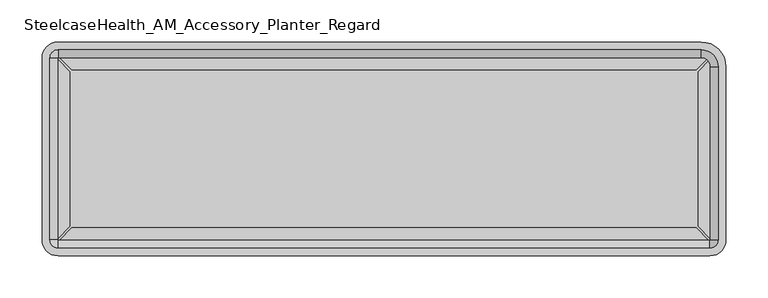
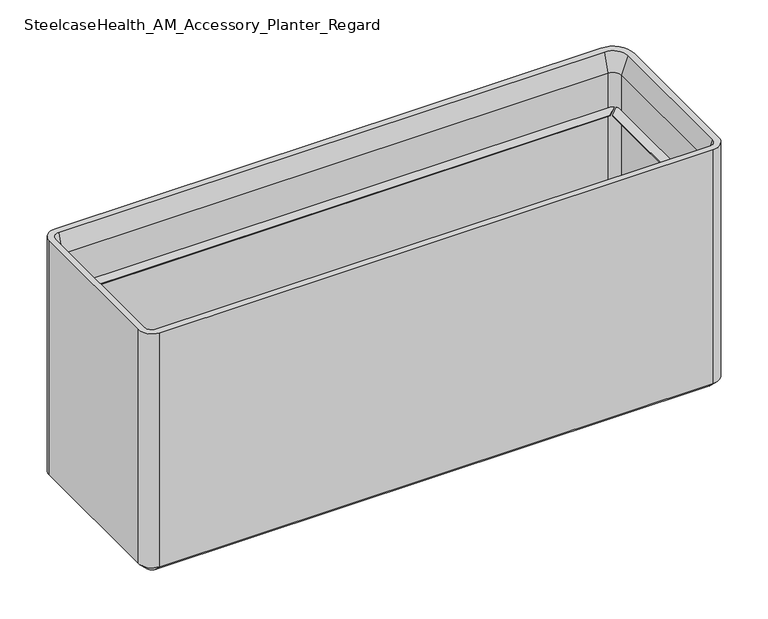
"""IFC4 building model written with IfcOpenShell, lengths in millimetres: furniture geometry, SteelcaseHealth_AM_Accessory_Planter_Regard."""

import ifcopenshell
import ifcopenshell.guid

model = None  # the IFC model being written
_history = None  # IfcOwnerHistory: only IFC2X3 demands one
_inside = {}  # id of a spatial element -> (the spatial element, [elements in it])
_under = {}  # id of a project, library or spatial element -> (it, [spatial elements below it])
_declared = {}  # id of a project -> (the project, [libraries it declares])
_typed = {}  # id of a type object -> (the type object, [elements of that type])
_made_of = {}  # id of a material, layer set ... -> (it, [elements and type objects made of it])


def new_model(schema):
    """Start an empty IFC model of exactly this schema.

    Asked for "IFC4X3", IfcOpenShell would pick the latest addendum, in which some entities
    have other attributes; the version numbers below select the first issue.
    IFC2X3 requires an IfcOwnerHistory on every rooted entity: one is made here for all.
    """
    global model, _history
    if schema == "IFC4X3":
        model = ifcopenshell.file(schema_version=(4, 3, 0, 0))
    else:
        model = ifcopenshell.file(schema=schema)
    _inside.clear()
    _under.clear()
    _declared.clear()
    _typed.clear()
    _made_of.clear()
    _history = None
    if model.schema == "IFC2X3":
        org = make("IfcOrganization", Name="unknown")
        user = make(
            "IfcPersonAndOrganization",
            ThePerson=make("IfcPerson", FamilyName="unknown"),
            TheOrganization=org,
        )
        app = make(
            "IfcApplication",
            ApplicationDeveloper=org,
            Version="unknown",
            ApplicationFullName="unknown",
            ApplicationIdentifier="unknown",
        )
        _history = make(
            "IfcOwnerHistory",
            OwningUser=user,
            OwningApplication=app,
            ChangeAction="ADDED",
            CreationDate=0,
        )
    return model


def make(cls, **values):
    """One entity of the class cls with the attributes given. An attribute that is None is left unset."""
    return model.create_entity(
        cls, **{name: value for name, value in values.items() if value is not None}
    )


def rooted(cls, **values):
    """An entity with a GlobalId (a new one), such as an element, a storey or a relation."""
    return make(cls, GlobalId=ifcopenshell.guid.new(), OwnerHistory=_history, **values)


def si_unit(unit_type, name, prefix=None):
    """IfcSIUnit, for example si_unit("LENGTHUNIT", "METRE", prefix="MILLI")."""
    return make("IfcSIUnit", UnitType=unit_type, Prefix=prefix, Name=name)


def assignment(units):
    """IfcUnitAssignment: the units of a project."""
    return None if units is None else make("IfcUnitAssignment", Units=units)


def point(xyz):
    """IfcCartesianPoint."""
    return None if xyz is None else make("IfcCartesianPoint", Coordinates=xyz)


def direction(xyz):
    """IfcDirection."""
    return None if xyz is None else make("IfcDirection", DirectionRatios=xyz)


def frame(location, z_axis=None, x_axis=None):
    """IfcAxis2Placement3D, a coordinate frame: its origin and axes. An axis left out is left unset."""
    return make(
        "IfcAxis2Placement3D",
        Location=point(location),
        Axis=direction(z_axis),
        RefDirection=direction(x_axis),
    )


def origin():
    """The frame at (0, 0, 0) with its axes left unset."""
    return frame((0.0, 0.0, 0.0))


def place(relative_to, where):
    """IfcLocalPlacement: puts the frame where relative to a parent placement (None: the world)."""
    return make(
        "IfcLocalPlacement", PlacementRelTo=relative_to, RelativePlacement=where
    )


def context(
    kind, dimensions, precision=None, world=None, true_north=None, identifier=None
):
    """IfcGeometricRepresentationContext, for example the 3D "Model" context."""
    return make(
        "IfcGeometricRepresentationContext",
        ContextIdentifier=identifier,
        ContextType=kind,
        CoordinateSpaceDimension=dimensions,
        Precision=precision,
        WorldCoordinateSystem=world,
        TrueNorth=true_north,
    )


def project(units=None, contexts=None):
    """IfcProject with its units and contexts."""
    return rooted(
        "IfcProject",
        Name="project",
        RepresentationContexts=contexts,
        UnitsInContext=assignment(units),
    )


def spatial(cls, under=None, at=None, **own):
    """A site, building, storey or space (cls), placed at a placement, below another one or the project."""
    s = rooted(cls, ObjectPlacement=at, **own)
    if under is not None:
        _under.setdefault(under.id(), (under, []))[1].append(s)
    return s


def polyline(points):
    """IfcPolyline through the points."""
    return make("IfcPolyline", Points=[point(p) for p in points])


def circle_curve(where, radius):
    """IfcCircle in the frame where."""
    return make("IfcCircle", Position=where, Radius=radius)


def outline(outer, holes=None, kind="AREA"):
    """IfcArbitraryClosedProfileDef: a profile drawn as a closed curve; with holes, ...WithVoids."""
    if holes is None:
        return make("IfcArbitraryClosedProfileDef", ProfileType=kind, OuterCurve=outer)
    return make(
        "IfcArbitraryProfileDefWithVoids",
        ProfileType=kind,
        OuterCurve=outer,
        InnerCurves=holes,
    )


def extrude(swept, where, along, depth):
    """IfcExtrudedAreaSolid: the profile swept, set in the frame where, extruded along a direction by depth."""
    return make(
        "IfcExtrudedAreaSolid",
        SweptArea=swept,
        Position=where,
        ExtrudedDirection=direction(along),
        Depth=depth,
    )


def shape(context_of_items, identifier, shape_type, items):
    """IfcShapeRepresentation: the items that make up one representation, for example the "Body"."""
    return make(
        "IfcShapeRepresentation",
        ContextOfItems=context_of_items,
        RepresentationIdentifier=identifier,
        RepresentationType=shape_type,
        Items=items,
    )


def source(mapping_origin, context_of_items, identifier, shape_type, items):
    """IfcRepresentationMap: a shape defined once, which mapped items show again and again."""
    return make(
        "IfcRepresentationMap",
        MappingOrigin=mapping_origin,
        MappedRepresentation=shape(context_of_items, identifier, shape_type, items),
    )


def transform(
    local_origin,
    x_axis=None,
    y_axis=None,
    z_axis=None,
    scale=None,
    scale2=None,
    scale3=None,
    uniform=True,
):
    """IfcCartesianTransformationOperator3D, or its non-uniform kind. x_axis, y_axis, z_axis: its Axis1, 2, 3."""
    if uniform:
        return make(
            "IfcCartesianTransformationOperator3D",
            Axis1=direction(x_axis),
            Axis2=direction(y_axis),
            LocalOrigin=point(local_origin),
            Scale=scale,
            Axis3=direction(z_axis),
        )
    return make(
        "IfcCartesianTransformationOperator3DnonUniform",
        Axis1=direction(x_axis),
        Axis2=direction(y_axis),
        LocalOrigin=point(local_origin),
        Scale=scale,
        Axis3=direction(z_axis),
        Scale2=scale2,
        Scale3=scale3,
    )


def mapped(mapping_source, mapping_target):
    """IfcMappedItem: shows the shape of a source again, moved by a transform."""
    return make(
        "IfcMappedItem", MappingSource=mapping_source, MappingTarget=mapping_target
    )


def made_of(thing, what):
    """Note that an element or type object is made of a material, layer set ...; save() writes the relation."""
    if what is not None:
        _made_of.setdefault(what.id(), (what, []))[1].append(thing)
    return thing


def element(
    cls,
    number,
    at=None,
    inside=None,
    cuts=None,
    type_object=None,
    material=None,
    context=None,
    identifier="Body",
    shape_type=None,
    held_by="IfcProductDefinitionShape",
    body=None,
    shapes=None,
    **own,
):
    """One element of the class cls, such as IfcWall. Its Tag is "e" and its number.

    at: its placement. inside: the storey or other place that contains it. cuts: it is an
    opening in that element (IfcRelVoidsElement). A single representation is given by context,
    identifier, shape_type and body (its items); several are given by shapes. held_by: the class
    of the entity that holds the representations. save() writes the other relations.
    """
    e = rooted(cls, Tag="e%d" % number, ObjectPlacement=at, **own)
    if body is not None:
        shapes = [shape(context, identifier, shape_type, body)]
    if shapes is not None:
        e.Representation = make(held_by, Representations=shapes)
    if inside is not None:
        _inside.setdefault(inside.id(), (inside, []))[1].append(e)
    if cuts is not None:
        rooted(
            "IfcRelVoidsElement", RelatingBuildingElement=cuts, RelatedOpeningElement=e
        )
    if type_object is not None:
        _typed.setdefault(type_object.id(), (type_object, []))[1].append(e)
    return made_of(e, material)


def aggregate(whole, parts):
    """IfcRelAggregates: a whole, such as a stair, and the parts it consists of."""
    return rooted("IfcRelAggregates", RelatingObject=whole, RelatedObjects=parts)


def save(model, path):
    """Write the relations noted so far, then the file.

    IfcRelAggregates (storeys below a building ...), IfcRelContainedInSpatialStructure (elements
    in a storey), IfcRelDefinesByType, IfcRelAssociatesMaterial and IfcRelDeclares: one each for
    every whole, place, type object, material and project.
    """
    for whole, parts in _under.values():
        aggregate(whole, parts)
    for where, things in _inside.values():
        rooted(
            "IfcRelContainedInSpatialStructure",
            RelatedElements=things,
            RelatingStructure=where,
        )
    for kind, things in _typed.values():
        rooted("IfcRelDefinesByType", RelatedObjects=things, RelatingType=kind)
    for what, things in _made_of.values():
        rooted("IfcRelAssociatesMaterial", RelatedObjects=things, RelatingMaterial=what)
    for by, libraries in _declared.values():
        rooted("IfcRelDeclares", RelatingContext=by, RelatedDefinitions=libraries)
    model.write(path)


def plane_surface(at):
    """IfcPlane: the flat surface through the origin of the frame at, square to its z axis."""
    return make("IfcPlane", Position=at)


def cylinder_surface(at, radius):
    """IfcCylindricalSurface: all points at the distance radius from the z axis of the frame at."""
    return make("IfcCylindricalSurface", Position=at, Radius=radius)


def revolved_surface(curve, axis_point, axis_direction):
    """IfcSurfaceOfRevolution: the curve turned about the line through axis_point along axis_direction."""
    return make(
        "IfcSurfaceOfRevolution",
        SweptCurve=make("IfcArbitraryOpenProfileDef", ProfileType="CURVE", Curve=curve),
        AxisPosition=make("IfcAxis1Placement", Location=point(axis_point), Axis=direction(axis_direction)),
    )


def advanced_brep(points, edges, surfaces, faces):
    """IfcAdvancedBrep: a solid bounded by faces that lie on surfaces and meet in shared edges.

    An edge is (start, end): straight between two places in points (the first is 0);
    or (start, end, curve); or (start, end, curve, False) where it runs against its curve.
    A face is (place in surfaces, loops), or (place, loops, False) where it looks against
    its surface's normal. A loop lists edges by number (the first is 1), with a minus sign
    where the edge is run from its end to its start. The first loop is the outer one.
    """
    corners = [point(p) for p in points]
    vertices = [make("IfcVertexPoint", VertexGeometry=c) for c in corners]
    made = []
    for start, end, *more in edges:
        made.append(
            make(
                "IfcEdgeCurve",
                EdgeStart=vertices[start],
                EdgeEnd=vertices[end],
                EdgeGeometry=more[0] if more else make("IfcPolyline", Points=[corners[start], corners[end]]),
                SameSense=more[1] if len(more) > 1 else True,
            )
        )
    hull = []
    for where, loops, *sense in faces:
        bounds = []
        for j, loop in enumerate(loops):
            ring = [make("IfcOrientedEdge", EdgeElement=made[abs(k) - 1], Orientation=k > 0) for k in loop]
            bounds.append(
                make(
                    "IfcFaceOuterBound" if j == 0 else "IfcFaceBound",
                    Bound=make("IfcEdgeLoop", EdgeList=ring),
                    Orientation=True,
                )
            )
        hull.append(make("IfcAdvancedFace", Bounds=bounds, FaceSurface=surfaces[where], SameSense=sense[0] if sense else True))
    return make("IfcAdvancedBrep", Outer=make("IfcClosedShell", CfsFaces=hull))


def steelcasehealth_am_accessory_planter_regard_e7cdda08(model_context):
    return source(origin(), model_context, "Body", "SolidModel", [
        extrude(outline(polyline([(33.0989981, -27.980308), (33.0988992, -211.6079254), (19.3556984, -225.9684772), (19.3556984, -13.6196127), (33.0989981, -27.980308)])), frame((0.0, 0.0, 658.7304314), z_axis=(0.0, 0.0, 1.0), x_axis=(1.0, 0.0, 0.0)), (0.0, 0.0, 1.0), 1.2230843),
        extrude(outline(polyline([(21.0030858, -228.3174254), (35.1556993, -213.7623353), (777.5939138, -213.7625918), (791.7461979, -228.3174254), (21.0030858, -228.3174254)])), frame((0.0, 0.0, 658.7304314), z_axis=(0.0, 0.0, 1.0), x_axis=(1.0, 0.0, 0.0)), (0.0, 0.0, 1.0), 1.2230843),
        extrude(outline(polyline([(793.394014, -225.9688692), (779.6507142, -211.6081872), (779.6508132, -27.9805431), (793.394014, -13.6200046), (793.394014, -225.9688692)])), frame((0.0, 0.0, 658.7304314), z_axis=(0.0, 0.0, 1.0), x_axis=(1.0, 0.0, 0.0)), (0.0, 0.0, 1.0), 1.2230843),
        extrude(outline(polyline([(791.7466272, -11.2710686), (777.5940177, -25.8261404), (35.1558082, -25.8258962), (21.0034903, -11.2710686), (791.7466272, -11.2710686)])), frame((0.0, 0.0, 658.7304314), z_axis=(0.0, 0.0, 1.0), x_axis=(1.0, 0.0, 0.0)), (0.0, 0.0, 1.0), 1.2230843),
        advanced_brep(
        [(35.5809193, -28.3855859, 393.6157513), (42.0420074, -28.3855859, 393.6157513), (29.1198311, -28.3855859, 393.6157513), (42.0420074, -28.3855859, 389.6194739), (29.1198311, -28.3855859, 389.6194739), (49.5595939, -28.3855859, 389.6194739), (21.6022446, -28.3855859, 389.6194739), (49.5595939, -28.3855859, 381.6757013), (21.6022446, -28.3855859, 381.6757013), (48.7357428, -28.3855859, 380.8518501), (22.4260958, -28.3855859, 380.8518501), (35.5809193, -28.3855859, 380.8518501)],
        [
            (0, 1),
            (1, 2, circle_curve(frame((35.5809193, -28.3855859, 393.6157513), z_axis=(0.0, 0.0, 1.0), x_axis=(1.0, 0.0, 0.0)), 6.4610882)),
            (2, 0),
            (2, 1, circle_curve(frame((35.5809193, -28.3855859, 393.6157513), z_axis=(0.0, 0.0, 1.0), x_axis=(1.0, 0.0, 0.0)), 6.4610882)),
            (1, 3),
            (3, 4, circle_curve(frame((35.5809193, -28.3855859, 389.6194739), z_axis=(0.0, 0.0, 1.0), x_axis=(1.0, 0.0, 0.0)), 6.4610882)),
            (4, 2),
            (4, 3, circle_curve(frame((35.5809193, -28.3855859, 389.6194739), z_axis=(0.0, 0.0, 1.0), x_axis=(1.0, 0.0, 0.0)), 6.4610882)),
            (3, 5),
            (5, 6, circle_curve(frame((35.5809193, -28.3855859, 389.6194739), z_axis=(0.0, 0.0, 1.0), x_axis=(1.0, 0.0, 0.0)), 13.9786747)),
            (6, 4),
            (6, 5, circle_curve(frame((35.5809193, -28.3855859, 389.6194739), z_axis=(0.0, 0.0, 1.0), x_axis=(1.0, 0.0, 0.0)), 13.9786747)),
            (5, 7),
            (7, 8, circle_curve(frame((35.5809193, -28.3855859, 381.6757013), z_axis=(0.0, 0.0, 1.0), x_axis=(1.0, 0.0, 0.0)), 13.9786747)),
            (8, 6),
            (8, 7, circle_curve(frame((35.5809193, -28.3855859, 381.6757013), z_axis=(0.0, 0.0, 1.0), x_axis=(1.0, 0.0, 0.0)), 13.9786747)),
            (7, 9),
            (9, 10, circle_curve(frame((35.5809193, -28.3855859, 380.8518501), z_axis=(0.0, 0.0, 1.0), x_axis=(1.0, 0.0, 0.0)), 13.1548235)),
            (10, 8),
            (10, 9, circle_curve(frame((35.5809193, -28.3855859, 380.8518501), z_axis=(0.0, 0.0, 1.0), x_axis=(1.0, 0.0, 0.0)), 13.1548235)),
            (9, 11),
            (11, 10),
        ],
        [
            plane_surface(frame((35.5809193, -28.3855859, 393.6157513), z_axis=(0.0, 0.0, 1.0), x_axis=(1.0, 0.0, 0.0))),
            cylinder_surface(frame((35.5809193, -28.3855859, 409.5265793), z_axis=(0.0, 0.0, 1.0), x_axis=(1.0, 0.0, 0.0)), 6.4610882),
            plane_surface(frame((35.5809193, -28.3855859, 389.6194739), z_axis=(0.0, 0.0, 1.0), x_axis=(1.0, 0.0, 0.0))),
            cylinder_surface(frame((35.5809193, -28.3855859, 409.5265793), z_axis=(0.0, 0.0, 1.0), x_axis=(1.0, 0.0, 0.0)), 13.9786747),
            revolved_surface(polyline([(48.7357428, -28.3855859, 380.8518501), (49.5595939, -28.3855859, 381.6757013)]), (35.5809193, -28.3855859, 409.5265793), (0.0, 0.0, 1.0)),
            plane_surface(frame((35.5809193, -28.3855859, 380.8518501), z_axis=(0.0, 0.0, -1.0), x_axis=(1.0, 0.0, 0.0))),
        ],
        [
            (0, [[1, 2, 3]]),
            (0, [[-3, 4, -1]]),
            (1, [[-2, 5, 6, 7]]),
            (1, [[-4, -7, 8, -5]]),
            (2, [[-6, 9, 10, 11]]),
            (2, [[-8, -11, 12, -9]]),
            (3, [[-10, 13, 14, 15]]),
            (3, [[-12, -15, 16, -13]]),
            (4, [[-14, 17, 18, 19]]),
            (4, [[-16, -19, 20, -17]]),
            (5, [[-18, 21, 22]]),
            (5, [[-20, -22, -21]]),
        ],
    ),
        advanced_brep(
        [(777.2190807, -28.3855859, 393.6157513), (783.6801689, -28.3855859, 393.6157513), (770.7579926, -28.3855859, 393.6157513), (783.6801689, -28.3855859, 389.6194739), (770.7579926, -28.3855859, 389.6194739), (791.1977554, -28.3855859, 389.6194739), (763.2404061, -28.3855859, 389.6194739), (791.1977554, -28.3855859, 381.6757013), (763.2404061, -28.3855859, 381.6757013), (790.3739042, -28.3855859, 380.8518501), (764.0642572, -28.3855859, 380.8518501), (777.2190807, -28.3855859, 380.8518501)],
        [
            (0, 1),
            (1, 2, circle_curve(frame((777.2190807, -28.3855859, 393.6157513), z_axis=(0.0, 0.0, 1.0), x_axis=(1.0, 0.0, 0.0)), 6.4610882)),
            (2, 0),
            (2, 1, circle_curve(frame((777.2190807, -28.3855859, 393.6157513), z_axis=(0.0, 0.0, 1.0), x_axis=(1.0, 0.0, 0.0)), 6.4610882)),
            (1, 3),
            (3, 4, circle_curve(frame((777.2190807, -28.3855859, 389.6194739), z_axis=(0.0, 0.0, 1.0), x_axis=(1.0, 0.0, 0.0)), 6.4610882)),
            (4, 2),
            (4, 3, circle_curve(frame((777.2190807, -28.3855859, 389.6194739), z_axis=(0.0, 0.0, 1.0), x_axis=(1.0, 0.0, 0.0)), 6.4610882)),
            (3, 5),
            (5, 6, circle_curve(frame((777.2190807, -28.3855859, 389.6194739), z_axis=(0.0, 0.0, 1.0), x_axis=(1.0, 0.0, 0.0)), 13.9786747)),
            (6, 4),
            (6, 5, circle_curve(frame((777.2190807, -28.3855859, 389.6194739), z_axis=(0.0, 0.0, 1.0), x_axis=(1.0, 0.0, 0.0)), 13.9786747)),
            (5, 7),
            (7, 8, circle_curve(frame((777.2190807, -28.3855859, 381.6757013), z_axis=(0.0, 0.0, 1.0), x_axis=(1.0, 0.0, 0.0)), 13.9786747)),
            (8, 6),
            (8, 7, circle_curve(frame((777.2190807, -28.3855859, 381.6757013), z_axis=(0.0, 0.0, 1.0), x_axis=(1.0, 0.0, 0.0)), 13.9786747)),
            (7, 9),
            (9, 10, circle_curve(frame((777.2190807, -28.3855859, 380.8518501), z_axis=(0.0, 0.0, 1.0), x_axis=(1.0, 0.0, 0.0)), 13.1548235)),
            (10, 8),
            (10, 9, circle_curve(frame((777.2190807, -28.3855859, 380.8518501), z_axis=(0.0, 0.0, 1.0), x_axis=(1.0, 0.0, 0.0)), 13.1548235)),
            (9, 11),
            (11, 10),
        ],
        [
            plane_surface(frame((777.2190807, -28.3855859, 393.6157513), z_axis=(0.0, 0.0, 1.0), x_axis=(1.0, 0.0, 0.0))),
            cylinder_surface(frame((777.2190807, -28.3855859, 409.5265793), z_axis=(0.0, 0.0, 1.0), x_axis=(1.0, 0.0, 0.0)), 6.4610882),
            plane_surface(frame((777.2190807, -28.3855859, 389.6194739), z_axis=(0.0, 0.0, 1.0), x_axis=(1.0, 0.0, 0.0))),
            cylinder_surface(frame((777.2190807, -28.3855859, 409.5265793), z_axis=(0.0, 0.0, 1.0), x_axis=(1.0, 0.0, 0.0)), 13.9786747),
            revolved_surface(polyline([(790.3739042, -28.3855859, 380.8518501), (791.1977554, -28.3855859, 381.6757013)]), (777.2190807, -28.3855859, 409.5265793), (0.0, 0.0, 1.0)),
            plane_surface(frame((777.2190807, -28.3855859, 380.8518501), z_axis=(0.0, 0.0, -1.0), x_axis=(1.0, 0.0, 0.0))),
        ],
        [
            (0, [[1, 2, 3]]),
            (0, [[-3, 4, -1]]),
            (1, [[-2, 5, 6, 7]]),
            (1, [[-4, -7, 8, -5]]),
            (2, [[-6, 9, 10, 11]]),
            (2, [[-8, -11, 12, -9]]),
            (3, [[-10, 13, 14, 15]]),
            (3, [[-12, -15, 16, -13]]),
            (4, [[-14, 17, 18, 19]]),
            (4, [[-16, -19, 20, -17]]),
            (5, [[-18, 21, 22]]),
            (5, [[-20, -22, -21]]),
        ],
    ),
        advanced_brep(
        [(770.7579926, -211.2655859, 393.6157513), (783.6801689, -211.2655859, 393.6157513), (777.2190807, -211.2655859, 393.6157513), (770.7579926, -211.2655859, 389.6194739), (783.6801689, -211.2655859, 389.6194739), (763.2404061, -211.2655859, 389.6194739), (791.1977554, -211.2655859, 389.6194739), (763.2404061, -211.2655859, 381.6757013), (791.1977554, -211.2655859, 381.6757013), (764.0642572, -211.2655859, 380.8518501), (790.3739042, -211.2655859, 380.8518501), (777.2190807, -211.2655859, 380.8518501)],
        [
            (0, 1, circle_curve(frame((777.2190807, -211.2655859, 393.6157513), z_axis=(0.0, 0.0, 1.0), x_axis=(1.0, 0.0, 0.0)), 6.4610882)),
            (1, 2),
            (2, 0),
            (1, 0, circle_curve(frame((777.2190807, -211.2655859, 393.6157513), z_axis=(0.0, 0.0, 1.0), x_axis=(1.0, 0.0, 0.0)), 6.4610882)),
            (3, 4, circle_curve(frame((777.2190807, -211.2655859, 389.6194739), z_axis=(0.0, 0.0, 1.0), x_axis=(1.0, 0.0, 0.0)), 6.4610882)),
            (4, 1),
            (0, 3),
            (4, 3, circle_curve(frame((777.2190807, -211.2655859, 389.6194739), z_axis=(0.0, 0.0, 1.0), x_axis=(1.0, 0.0, 0.0)), 6.4610882)),
            (5, 6, circle_curve(frame((777.2190807, -211.2655859, 389.6194739), z_axis=(0.0, 0.0, 1.0), x_axis=(1.0, 0.0, 0.0)), 13.9786747)),
            (6, 4),
            (3, 5),
            (6, 5, circle_curve(frame((777.2190807, -211.2655859, 389.6194739), z_axis=(0.0, 0.0, 1.0), x_axis=(1.0, 0.0, 0.0)), 13.9786747)),
            (7, 8, circle_curve(frame((777.2190807, -211.2655859, 381.6757013), z_axis=(0.0, 0.0, 1.0), x_axis=(1.0, 0.0, 0.0)), 13.9786747)),
            (8, 6),
            (5, 7),
            (8, 7, circle_curve(frame((777.2190807, -211.2655859, 381.6757013), z_axis=(0.0, 0.0, 1.0), x_axis=(1.0, 0.0, 0.0)), 13.9786747)),
            (9, 10, circle_curve(frame((777.2190807, -211.2655859, 380.8518501), z_axis=(0.0, 0.0, 1.0), x_axis=(1.0, 0.0, 0.0)), 13.1548235)),
            (10, 8),
            (7, 9),
            (10, 9, circle_curve(frame((777.2190807, -211.2655859, 380.8518501), z_axis=(0.0, 0.0, 1.0), x_axis=(1.0, 0.0, 0.0)), 13.1548235)),
            (11, 10),
            (9, 11),
        ],
        [
            plane_surface(frame((777.2190807, -211.2655859, 393.6157513), z_axis=(0.0, 0.0, 1.0), x_axis=(1.0, 0.0, 0.0))),
            cylinder_surface(frame((777.2190807, -211.2655859, 409.5265793), z_axis=(0.0, 0.0, -1.0), x_axis=(1.0, 0.0, 0.0)), 6.4610882),
            plane_surface(frame((777.2190807, -211.2655859, 389.6194739), z_axis=(0.0, 0.0, 1.0), x_axis=(1.0, 0.0, 0.0))),
            cylinder_surface(frame((777.2190807, -211.2655859, 409.5265793), z_axis=(0.0, 0.0, -1.0), x_axis=(1.0, 0.0, 0.0)), 13.9786747),
            revolved_surface(polyline([(791.1977554, -211.2655859, 381.6757013), (790.3739042, -211.2655859, 380.8518501)]), (777.2190807, -211.2655859, 409.5265793), (0.0, 0.0, -1.0)),
            plane_surface(frame((777.2190807, -211.2655859, 380.8518501), z_axis=(0.0, 0.0, -1.0), x_axis=(1.0, 0.0, 0.0))),
        ],
        [
            (0, [[1, 2, 3]]),
            (0, [[4, -3, -2]]),
            (1, [[5, 6, -1, 7]]),
            (1, [[8, -7, -4, -6]]),
            (2, [[9, 10, -5, 11]]),
            (2, [[12, -11, -8, -10]]),
            (3, [[13, 14, -9, 15]]),
            (3, [[16, -15, -12, -14]]),
            (4, [[17, 18, -13, 19]]),
            (4, [[20, -19, -16, -18]]),
            (5, [[21, -17, 22]]),
            (5, [[-22, -20, -21]]),
        ],
    ),
        extrude(outline(polyline([(794.3545174, -11.2710686), (794.3545174, -228.3801033), (18.4454826, -228.3801033), (18.4454826, -11.2710686), (794.3545174, -11.2710686)])), frame((0.0, 0.0, 397.9774521), z_axis=(0.0, 0.0, 1.0), x_axis=(1.0, 0.0, 0.0)), (0.0, 0.0, 1.0), 5.9407032),
        advanced_brep(
        [(812.8, -22.4164435, 390.6007465), (783.2091424, 7.1744141, 390.6007465), (783.2091424, 7.1744141, 736.7985344), (812.8, -22.4164435, 736.7985344), (803.0511037, -22.4164435, 380.8518501), (783.2091424, -2.5744823, 380.8518501), (794.3545174, -22.4164435, 711.0518501), (783.2091424, -11.2710686, 711.0518501), (783.2091424, -11.2710686, 380.8518501), (794.3545174, -22.4164435, 380.8518501), (803.5360227, -22.4164435, 736.7985344), (783.2091424, -2.0895633, 736.7985344), (812.8, -227.7755859, 736.7985344), (812.8, -227.7755859, 390.6007465), (803.0511037, -227.7755859, 380.8518501), (794.3545174, -227.7755859, 380.8518501), (794.3545174, -227.7755859, 711.0518501), (803.5360227, -227.7755859, 736.7985344), (793.75, -246.8255859, 390.6007465), (793.75, -246.8255859, 736.7985344), (793.75, -237.0766896, 380.8518501), (793.75, -228.3801033, 711.0518501), (793.75, -228.3801033, 380.8518501), (793.75, -237.5616086, 736.7985344), (19.05, -246.8255859, 736.7985344), (19.05, -246.8255859, 390.6007465), (19.05, -237.0766896, 380.8518501), (19.05, -228.3801033, 380.8518501), (19.05, -228.3801033, 711.0518501), (19.05, -237.5616086, 736.7985344), (0.0, -227.7755859, 390.6007465), (0.0, -227.7755859, 736.7985344), (9.7488963, -227.7755859, 380.8518501), (18.4454826, -227.7755859, 711.0518501), (18.4454826, -227.7755859, 380.8518501), (9.2639773, -227.7755859, 736.7985344), (0.0, -11.8755859, 736.7985344), (0.0, -11.8755859, 390.6007465), (9.7488963, -11.8755859, 380.8518501), (18.4454826, -11.8755859, 380.8518501), (18.4454826, -11.8755859, 711.0518501), (9.2639773, -11.8755859, 736.7985344), (19.05, 7.1744141, 390.6007465), (19.05, 7.1744141, 736.7985344), (19.05, -2.5744823, 380.8518501), (19.05, -11.2710686, 711.0518501), (19.05, -11.2710686, 380.8518501), (19.05, -2.0895633, 736.7985344)],
        [
            (0, 1, circle_curve(frame((783.2091424, -22.4164435, 390.6007465), z_axis=(0.0, 0.0, 1.0), x_axis=(0.0, 1.0, 0.0)), 29.5908576)),
            (1, 2),
            (2, 3, circle_curve(frame((783.2091424, -22.4164435, 736.7985344), z_axis=(0.0, 0.0, -1.0), x_axis=(0.0, 1.0, 0.0)), 29.5908576)),
            (3, 0),
            (4, 5, circle_curve(frame((783.2091424, -22.4164435, 380.8518501), z_axis=(0.0, 0.0, 1.0), x_axis=(0.0, 1.0, 0.0)), 19.8419612)),
            (5, 1),
            (0, 4),
            (6, 7, circle_curve(frame((783.2091424, -22.4164435, 711.0518501), z_axis=(0.0, 0.0, 1.0), x_axis=(0.0, 1.0, 0.0)), 11.1453749)),
            (7, 8),
            (8, 9, circle_curve(frame((783.2091424, -22.4164435, 380.8518501), z_axis=(0.0, 0.0, -1.0), x_axis=(0.0, 1.0, 0.0)), 11.1453749)),
            (9, 6),
            (10, 11, circle_curve(frame((783.2091424, -22.4164435, 736.7985344), z_axis=(0.0, 0.0, 1.0), x_axis=(0.0, 1.0, 0.0)), 20.3268802)),
            (11, 7),
            (6, 10),
            (3, 12),
            (12, 13),
            (13, 0),
            (13, 14),
            (14, 4),
            (9, 15),
            (15, 16),
            (16, 6),
            (16, 17),
            (17, 10),
            (18, 13, circle_curve(frame((793.75, -227.7755859, 390.6007465), z_axis=(0.0, 0.0, 1.0), x_axis=(1.0, 0.0, 0.0)), 19.05)),
            (12, 19, circle_curve(frame((793.75, -227.7755859, 736.7985344), z_axis=(0.0, 0.0, -1.0), x_axis=(1.0, 0.0, 0.0)), 19.05)),
            (19, 18),
            (20, 14, circle_curve(frame((793.75, -227.7755859, 380.8518501), z_axis=(0.0, 0.0, 1.0), x_axis=(1.0, 0.0, 0.0)), 9.3011037)),
            (18, 20),
            (21, 16, circle_curve(frame((793.75, -227.7755859, 711.0518501), z_axis=(0.0, 0.0, 1.0), x_axis=(1.0, 0.0, 0.0)), 0.6045174)),
            (15, 22, circle_curve(frame((793.75, -227.7755859, 380.8518501), z_axis=(0.0, 0.0, -1.0), x_axis=(1.0, 0.0, 0.0)), 0.6045174)),
            (22, 21),
            (23, 17, circle_curve(frame((793.75, -227.7755859, 736.7985344), z_axis=(0.0, 0.0, 1.0), x_axis=(1.0, 0.0, 0.0)), 9.7860227)),
            (21, 23),
            (19, 24),
            (24, 25),
            (25, 18),
            (25, 26),
            (26, 20),
            (22, 27),
            (27, 28),
            (28, 21),
            (28, 29),
            (29, 23),
            (30, 25, circle_curve(frame((19.05, -227.7755859, 390.6007465), z_axis=(0.0, 0.0, 1.0), x_axis=(0.0, -1.0, 0.0)), 19.05)),
            (24, 31, circle_curve(frame((19.05, -227.7755859, 736.7985344), z_axis=(0.0, 0.0, -1.0), x_axis=(0.0, -1.0, 0.0)), 19.05)),
            (31, 30),
            (32, 26, circle_curve(frame((19.05, -227.7755859, 380.8518501), z_axis=(0.0, 0.0, 1.0), x_axis=(0.0, -1.0, 0.0)), 9.3011037)),
            (30, 32),
            (33, 28, circle_curve(frame((19.05, -227.7755859, 711.0518501), z_axis=(0.0, 0.0, 1.0), x_axis=(0.0, -1.0, 0.0)), 0.6045174)),
            (27, 34, circle_curve(frame((19.05, -227.7755859, 380.8518501), z_axis=(0.0, 0.0, -1.0), x_axis=(0.0, -1.0, 0.0)), 0.6045174)),
            (34, 33),
            (35, 29, circle_curve(frame((19.05, -227.7755859, 736.7985344), z_axis=(0.0, 0.0, 1.0), x_axis=(0.0, -1.0, 0.0)), 9.7860227)),
            (33, 35),
            (31, 36),
            (36, 37),
            (37, 30),
            (37, 38),
            (38, 32),
            (34, 39),
            (39, 40),
            (40, 33),
            (40, 41),
            (41, 35),
            (42, 37, circle_curve(frame((19.05, -11.8755859, 390.6007465), z_axis=(0.0, 0.0, 1.0), x_axis=(-1.0, 0.0, 0.0)), 19.05)),
            (36, 43, circle_curve(frame((19.05, -11.8755859, 736.7985344), z_axis=(0.0, 0.0, -1.0), x_axis=(-1.0, 0.0, 0.0)), 19.05)),
            (43, 42),
            (44, 38, circle_curve(frame((19.05, -11.8755859, 380.8518501), z_axis=(0.0, 0.0, 1.0), x_axis=(-1.0, 0.0, 0.0)), 9.3011037)),
            (42, 44),
            (45, 40, circle_curve(frame((19.05, -11.8755859, 711.0518501), z_axis=(0.0, 0.0, 1.0), x_axis=(-1.0, 0.0, 0.0)), 0.6045174)),
            (39, 46, circle_curve(frame((19.05, -11.8755859, 380.8518501), z_axis=(0.0, 0.0, -1.0), x_axis=(-1.0, 0.0, 0.0)), 0.6045174)),
            (46, 45),
            (47, 41, circle_curve(frame((19.05, -11.8755859, 736.7985344), z_axis=(0.0, 0.0, 1.0), x_axis=(-1.0, 0.0, 0.0)), 9.7860227)),
            (45, 47),
            (2, 43),
            (47, 11),
            (1, 42),
            (5, 44),
            (8, 46),
            (7, 45),
        ],
        [
            cylinder_surface(frame((783.2091424, -22.4164435, 0.0), z_axis=(0.0, 0.0, -1.0), x_axis=(0.0, 1.0, 0.0)), 29.5908576),
            revolved_surface(polyline([(783.2091424, 7.1744141, 390.6007465), (783.2091424, -2.5744823, 380.8518501)]), (783.2091424, -22.4164435, 0.0), (0.0, 0.0, -1.0)),
            revolved_surface(polyline([(783.2091424, -11.2710686, 380.8518501), (783.2091424, -11.2710686, 711.0518501)]), (783.2091424, -22.4164435, 0.0), (0.0, 0.0, -1.0)),
            revolved_surface(polyline([(783.2091424, -11.2710686, 711.0518501), (783.2091424, -2.0895633, 736.7985344)]), (783.2091424, -22.4164435, 0.0), (0.0, 0.0, -1.0)),
            plane_surface(frame((812.8, -22.4164435, 736.7985344), z_axis=(1.0, 0.0, 0.0), x_axis=(0.0, -1.0, 0.0))),
            plane_surface(frame((812.8, -22.4164435, 390.6007465), z_axis=(0.7071067811865476, 0.0, -0.7071067811865476), x_axis=(0.0, -1.0, 0.0))),
            plane_surface(frame((794.3545174, -22.4164435, 380.8518501), z_axis=(-1.0, 0.0, 0.0), x_axis=(0.0, -1.0, 0.0))),
            plane_surface(frame((794.3545174, -22.4164435, 711.0518501), z_axis=(-0.9419010077448645, 0.0, 0.3358905947019191), x_axis=(0.0, -1.0, 0.0))),
            cylinder_surface(frame((793.75, -227.7755859, 0.0), z_axis=(0.0, 0.0, -1.0), x_axis=(1.0, 0.0, 0.0)), 19.05),
            revolved_surface(polyline([(812.8, -227.7755859, 390.6007465), (803.0511037, -227.7755859, 380.8518501)]), (793.75, -227.7755859, 0.0), (0.0, 0.0, -1.0)),
            revolved_surface(polyline([(794.3545174, -227.7755859, 380.8518501), (794.3545174, -227.7755859, 711.0518501)]), (793.75, -227.7755859, 0.0), (0.0, 0.0, -1.0)),
            revolved_surface(polyline([(794.3545174, -227.7755859, 711.0518501), (803.5360227, -227.7755859, 736.7985344)]), (793.75, -227.7755859, 0.0), (0.0, 0.0, -1.0)),
            plane_surface(frame((793.75, -246.8255859, 736.7985344), z_axis=(0.0, -1.0, 0.0), x_axis=(-1.0, 0.0, 0.0))),
            plane_surface(frame((793.75, -246.8255859, 390.6007465), z_axis=(0.0, -0.7071067811865476, -0.7071067811865476), x_axis=(-1.0, 0.0, 0.0))),
            plane_surface(frame((793.75, -228.3801033, 380.8518501), z_axis=(0.0, 1.0, 0.0), x_axis=(-1.0, 0.0, 0.0))),
            plane_surface(frame((793.75, -228.3801033, 711.0518501), z_axis=(0.0, 0.9419010077448645, 0.3358905947019191), x_axis=(-1.0, 0.0, 0.0))),
            cylinder_surface(frame((19.05, -227.7755859, 0.0), z_axis=(0.0, 0.0, -1.0), x_axis=(0.0, -1.0, 0.0)), 19.05),
            revolved_surface(polyline([(19.05, -246.8255859, 390.6007465), (19.05, -237.0766896, 380.8518501)]), (19.05, -227.7755859, 0.0), (0.0, 0.0, -1.0)),
            revolved_surface(polyline([(19.05, -228.3801033, 380.8518501), (19.05, -228.3801033, 711.0518501)]), (19.05, -227.7755859, 0.0), (0.0, 0.0, -1.0)),
            revolved_surface(polyline([(19.05, -228.3801033, 711.0518501), (19.05, -237.5616086, 736.7985344)]), (19.05, -227.7755859, 0.0), (0.0, 0.0, -1.0)),
            plane_surface(frame((0.0, -227.7755859, 736.7985344), z_axis=(-1.0, 0.0, 0.0), x_axis=(0.0, 1.0, 0.0))),
            plane_surface(frame((0.0, -227.7755859, 390.6007465), z_axis=(-0.7071067811865476, 0.0, -0.7071067811865476), x_axis=(0.0, 1.0, 0.0))),
            plane_surface(frame((18.4454826, -227.7755859, 380.8518501), z_axis=(1.0, 0.0, 0.0), x_axis=(0.0, 1.0, 0.0))),
            plane_surface(frame((18.4454826, -227.7755859, 711.0518501), z_axis=(0.9419010077448645, 0.0, 0.3358905947019191), x_axis=(0.0, 1.0, 0.0))),
            cylinder_surface(frame((19.05, -11.8755859, 0.0), z_axis=(0.0, 0.0, -1.0), x_axis=(-1.0, 0.0, 0.0)), 19.05),
            revolved_surface(polyline([(0.0, -11.8755859, 390.6007465), (9.7488963, -11.8755859, 380.8518501)]), (19.05, -11.8755859, 0.0), (0.0, 0.0, -1.0)),
            revolved_surface(polyline([(18.445482600000002, -11.8755859, 380.8518501), (18.445482600000002, -11.8755859, 711.0518501)]), (19.05, -11.8755859, 0.0), (0.0, 0.0, -1.0)),
            revolved_surface(polyline([(18.4454826, -11.8755859, 711.0518501), (9.2639773, -11.8755859, 736.7985344)]), (19.05, -11.8755859, 0.0), (0.0, 0.0, -1.0)),
            plane_surface(frame((19.05, -2.0895633, 736.7985344), z_axis=(0.0, 0.0, 1.0), x_axis=(1.0, 0.0, 0.0))),
            plane_surface(frame((19.05, 7.1744141, 736.7985344), z_axis=(0.0, 1.0, 0.0), x_axis=(1.0, 0.0, 0.0))),
            plane_surface(frame((19.05, 7.1744141, 390.6007465), z_axis=(0.0, 0.7071067811865476, -0.7071067811865476), x_axis=(1.0, 0.0, 0.0))),
            plane_surface(frame((19.05, -2.5744823, 380.8518501), z_axis=(0.0, 0.0, -1.0), x_axis=(1.0, 0.0, 0.0))),
            plane_surface(frame((19.05, -11.2710686, 380.8518501), z_axis=(0.0, -1.0, 0.0), x_axis=(1.0, 0.0, 0.0))),
            plane_surface(frame((19.05, -11.2710686, 711.0518501), z_axis=(0.0, -0.9419010077448645, 0.3358905947019191), x_axis=(1.0, 0.0, 0.0))),
        ],
        [
            (0, [[1, 2, 3, 4]]),
            (1, [[5, 6, -1, 7]]),
            (2, [[8, 9, 10, 11]]),
            (3, [[12, 13, -8, 14]]),
            (4, [[-4, 15, 16, 17]]),
            (5, [[-7, -17, 18, 19]]),
            (6, [[-11, 20, 21, 22]]),
            (7, [[-14, -22, 23, 24]]),
            (8, [[25, -16, 26, 27]]),
            (9, [[28, -18, -25, 29]]),
            (10, [[30, -21, 31, 32]]),
            (11, [[33, -23, -30, 34]]),
            (12, [[-27, 35, 36, 37]]),
            (13, [[-29, -37, 38, 39]]),
            (14, [[-32, 40, 41, 42]]),
            (15, [[-34, -42, 43, 44]]),
            (16, [[45, -36, 46, 47]]),
            (17, [[48, -38, -45, 49]]),
            (18, [[50, -41, 51, 52]]),
            (19, [[53, -43, -50, 54]]),
            (20, [[-47, 55, 56, 57]]),
            (21, [[-49, -57, 58, 59]]),
            (22, [[-52, 60, 61, 62]]),
            (23, [[-54, -62, 63, 64]]),
            (24, [[65, -56, 66, 67]]),
            (25, [[68, -58, -65, 69]]),
            (26, [[70, -61, 71, 72]]),
            (27, [[73, -63, -70, 74]]),
            (28, [[75, -66, -55, -46, -35, -26, -15, -3], [-64, -73, 76, -12, -24, -33, -44, -53]]),
            (29, [[-67, -75, -2, 77]]),
            (30, [[-69, -77, -6, 78]]),
            (31, [[-59, -68, -78, -5, -19, -28, -39, -48], [79, -71, -60, -51, -40, -31, -20, -10]]),
            (32, [[-72, -79, -9, 80]]),
            (33, [[-74, -80, -13, -76]]),
        ],
    ),
    ])


if __name__ == "__main__":
    model = new_model("IFC4")
    model_context = context("Model", 3, world=origin())
    ifc_project = project(units=[si_unit("LENGTHUNIT", "METRE", prefix="MILLI")], contexts=[model_context])
    site = spatial("IfcSite", under=ifc_project)
    building = spatial("IfcBuilding", under=site)
    placement = place(None, origin())
    steelcasehealth_am_accessory_planter_regard_shape = steelcasehealth_am_accessory_planter_regard_e7cdda08(model_context)
    element("IfcFurniture", 1, ObjectType="SteelcaseHealth_AM_Accessory_Planter_Regard", at=placement, inside=building, context=model_context, shape_type="MappedRepresentation", body=[
        mapped(steelcasehealth_am_accessory_planter_regard_shape, transform((0.0, 0.0, 0.0), x_axis=(1.0, 0.0, 0.0), y_axis=(0.0, 1.0, 0.0), z_axis=(0.0, 0.0, 1.0))),
    ])
    save(model, "model.ifc")
